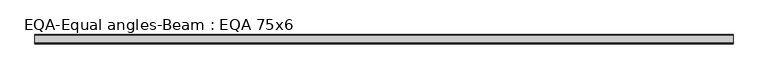
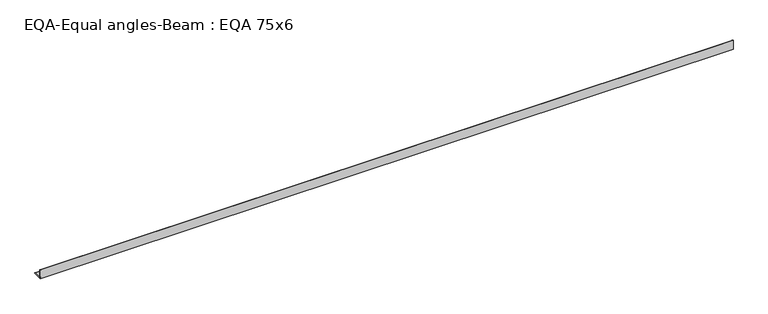
"""IFC4 building model written with IfcOpenShell, lengths in millimetres: beam geometry, EQA-Equal angles-Beam : EQA 75x6."""

from ifc_helpers import new_model, si_unit, point, frame, frame_2d, origin, place, context, project, spatial, polyline, circle_curve, trimmed, segment, composite_curve, outline, extrude, source, transform, mapped, element, save


def eqa_equal_angles_beam_eqa_75x6_98bf3428(model_context):
    return source(origin(), model_context, "Body", "SweptSolid", [
        extrude(outline(composite_curve([segment(polyline([(-20.5, -20.5), (-20.5, 54.5), (-19.0, 54.5)]), True, "CONTINUOUS"), segment(trimmed(circle_curve(frame_2d((-19.0, 50.0)), 4.5), [point((-19.0, 54.5))], [point((-14.5, 50.0))], False, "CARTESIAN"), True, "CONTINUOUS"), segment(polyline([(-14.5, 50.0), (-14.5, -5.5)]), True, "CONTINUOUS"), segment(trimmed(circle_curve(frame_2d((-5.5, -5.5)), 9.0), [point((-14.5, -5.5))], [point((-5.5, -14.5))], True, "CARTESIAN"), True, "CONTINUOUS"), segment(polyline([(-5.5, -14.5), (50.0, -14.5)]), True, "CONTINUOUS"), segment(trimmed(circle_curve(frame_2d((50.0, -19.0)), 4.5), [point((50.0, -14.5))], [point((54.5, -19.0))], False, "CARTESIAN"), True, "CONTINUOUS"), segment(polyline([(54.5, -19.0), (54.5, -20.5), (-20.5, -20.5)]), True, "CONTINUOUS")], self_intersect=False)), frame((-2715.9661679, 0.0, 0.0), z_axis=(1.0, 0.0, 0.0), x_axis=(0.0, 1.0, 0.0)), (0.0, 0.0, 1.0), 5467.6804539),
    ])


if __name__ == "__main__":
    model = new_model("IFC4")
    model_context = context("Model", 3, world=origin())
    ifc_project = project(units=[si_unit("LENGTHUNIT", "METRE", prefix="MILLI")], contexts=[model_context])
    site = spatial("IfcSite", under=ifc_project)
    building = spatial("IfcBuilding", under=site)
    placement = place(None, origin())
    eqa_equal_angles_beam_eqa_75x6_shape = eqa_equal_angles_beam_eqa_75x6_98bf3428(model_context)
    element("IfcBeam", 1, ObjectType="EQA-Equal angles-Beam : EQA 75x6", at=placement, inside=building, context=model_context, shape_type="MappedRepresentation", body=[
        mapped(eqa_equal_angles_beam_eqa_75x6_shape, transform((0.0, 0.0, 0.0), x_axis=(1.0, 0.0, 0.0), y_axis=(0.0, 1.0, 0.0), z_axis=(0.0, 0.0, 1.0))),
    ])
    save(model, "model.ifc")
